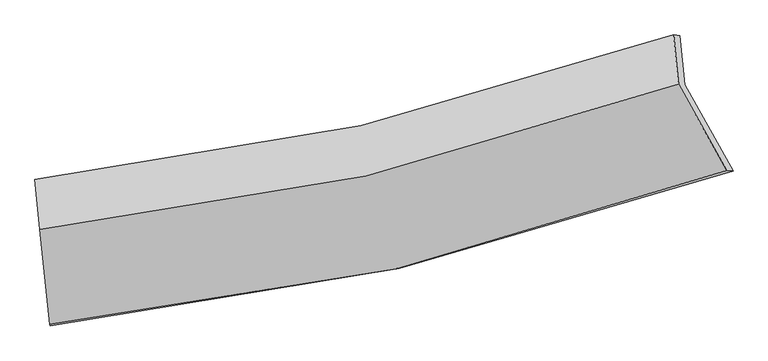
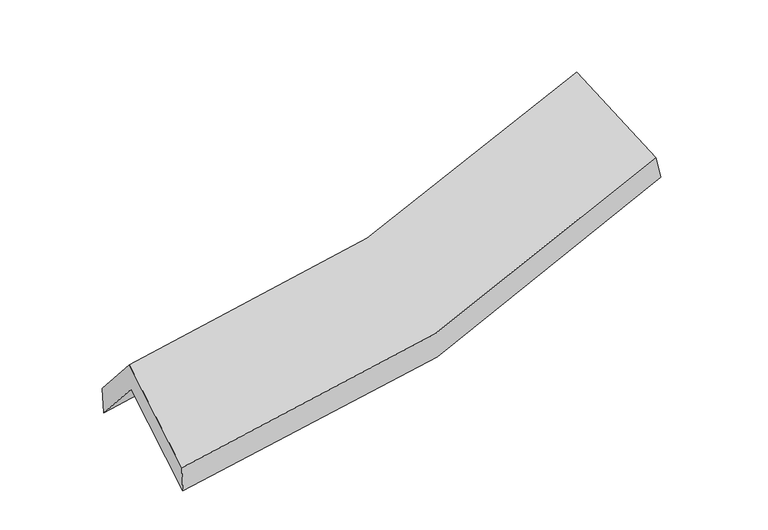
"""IFC4 building model written with IfcOpenShell, lengths in millimetres: proxy geometry."""

from ifc_helpers import new_model, si_unit, frame, origin, place, context, project, spatial, source, transform, mapped, element, save
from ifc_brep_helpers import plane_surface, spline_curve, spline_surface, advanced_brep


def generic_models_cd508e73(model_context):
    return source(origin(), model_context, "Body", "AdvancedBrep", [
        advanced_brep(
        [(-1704.7754344, -2437.1491099, 1539.7141115), (-1757.3710135, -1939.8983217, 1961.7194185), (1649.0126459, -1159.3399468, 2363.4648356), (1904.8344798, -1616.4291975, 1958.5917563), (-1782.9221815, -1677.2028129, 1648.9995899), (1623.8961086, -901.1129435, 2056.0644367), (-1785.140006, -1662.1103873, 1810.7627307), (1591.0379245, -896.2285444, 2195.6477558), (-1759.5888381, -1924.8058962, 2123.4825594), (1616.5040002, -1158.0492068, 2507.3261436), (-1706.2896392, -2428.7088688, 1695.8316964), (1871.7818754, -1614.1665401, 2103.3139535)],
        [
            (0, 1),
            (1, 2, spline_curve(3, [(-1757.3710135, -1939.8983217, 1961.7194185), (-1166.097712263, -1871.886762498, 1962.00474985), (-586.043026008, -1772.639405001, 1995.76177904), (549.327595886, -1512.201030199, 2129.947224024), (1104.734129546, -1351.262262692, 2230.105334136), (1649.0126459, -1159.3399468, 2363.4648356)], [4, 2, 4], [0.0, 5.976051301790608, 11.927923401488119])),
            (2, 3),
            (3, 0, spline_curve(3, [(1904.8344798, -1616.4291975, 1958.5917563), (1329.025195068, -1823.467020107, 1815.110965786), (740.954388525, -1995.312101211, 1708.46004959), (-462.149089937, -2269.171923728, 1568.534320891), (-1077.281588213, -2370.90014699, 1535.559355457), (-1704.7754344, -2437.1491099, 1539.7141115)], [4, 2, 4], [0.0, 5.951872099697511, 11.927923401488119])),
            (1, 4),
            (4, 5, spline_curve(3, [(-1782.9221815, -1677.2028129, 1648.9995899), (-1191.607661745, -1609.615026882, 1649.78939242), (-611.496041906, -1510.953013017, 1684.243230395), (524.019583846, -1252.005444956, 1820.203372164), (1079.514060811, -1091.970835611, 1921.437816225), (1623.8961086, -901.1129435, 2056.0644367)], [4, 2, 4], [0.0, 5.8007148623120885, 11.577959936655951])),
            (5, 2),
            (4, 6),
            (6, 7, spline_curve(3, [(-1785.140006, -1662.1103873, 1810.7627307), (-1199.782928292, -1599.4987908, 1815.140426335), (-625.207717025, -1504.173949263, 1849.528754967), (500.097855856, -1248.615820546, 1978.066119172), (1050.915287934, -1088.646714436, 2071.972798853), (1591.0379245, -896.2285444, 2195.6477558)], [4, 2, 4], [0.0, 5.77191928482439, 11.520485289061817])),
            (7, 5),
            (6, 8),
            (8, 9, spline_curve(3, [(-1759.5888381, -1924.8058962, 2123.4825594), (-1174.000987707, -1864.566909963, 2130.684674341), (-599.317743586, -1770.352768931, 2166.395211054), (525.958473923, -1514.492834072, 2294.573296782), (1076.639509252, -1353.121411711, 2386.810621443), (1616.5040002, -1158.0492068, 2507.3261436)], [4, 2, 4], [0.0, 5.743161298242266, 11.463085671185407])),
            (9, 7),
            (8, 10),
            (10, 11, spline_curve(3, [(-1706.2896392, -2428.7088688, 1695.8316964), (-1084.324765241, -2368.362208336, 1700.152030706), (-474.590015238, -2270.096042066, 1736.402481822), (718.00172307, -1998.275707409, 1872.487757677), (1300.957478026, -1825.027764005, 1972.064725687), (1871.7818754, -1614.1665401, 2103.3139535)], [4, 2, 4], [0.0, 5.916394268208539, 11.80885070766541])),
            (11, 9),
            (10, 0),
            (3, 11),
        ],
        [
            spline_surface(3, 3, [[(-1704.7754344, -2437.1491099, 1539.7141115), (-1077.281588292, -2370.900146949, 1535.55935551), (-462.149090033, -2269.171923802, 1568.53432089), (740.954388621, -1995.312101137, 1708.460049591), (1329.025195101, -1823.467020136, 1815.110965823), (1904.8344798, -1616.4291975, 1958.5917563)], [(-1722.3072941, -2271.398847192, 1680.382547172), (-1106.886962937, -2204.562352145, 1677.707820297), (-503.447068691, -2103.66108417, 1710.94347359), (677.078791095, -1834.27507747, 1848.955774442), (1254.261506614, -1666.06543434, 1953.442421898), (1819.560535174, -1464.06611392, 2093.549449388)], [(-1739.8391538, -2105.648584408, 1821.050982828), (-1136.492337583, -2038.224557266, 1819.856285069), (-544.745047428, -1938.150244617, 1853.352626255), (613.20319349, -1673.238053882, 1989.451499257), (1179.497818105, -1508.663848584, 2091.773878011), (1734.286590526, -1311.70303038, 2228.507142512)], [(-1757.3710135, -1939.8983217, 1961.7194185), (-1166.097712228, -1871.886762462, 1962.004749856), (-586.043026087, -1772.639404985, 1995.761778955), (549.327595965, -1512.201030215, 2129.947224108), (1104.734129617, -1351.262262788, 2230.105334087), (1649.0126459, -1159.3399468, 2363.4648356)]], [4, 4], [4, 2, 4], [0.0, 2.18831280352508], [0.0, 5.976051301790608, 11.927923401488119]),
            spline_surface(3, 3, [[(-1757.3710135, -1939.8983217, 1961.7194185), (-1166.097712228, -1871.886762462, 1962.004749856), (-586.043026087, -1772.639404985, 1995.761778955), (549.327595965, -1512.201030215, 2129.947224108), (1104.734129617, -1351.262262788, 2230.105334087), (1649.0126459, -1159.3399468, 2363.4648356)], [(-1765.888069493, -1852.333152078, 1857.479475618), (-1174.601028739, -1784.462850575, 1857.932963997), (-594.527364711, -1685.410607689, 1891.922262775), (540.891591946, -1425.46916847, 2026.699273428), (1096.327440013, -1264.831787072, 2127.216161477), (1640.640466812, -1073.26427904, 2260.998035964)], [(-1774.405125507, -1764.767982522, 1753.239532782), (-1183.104345272, -1697.038938755, 1753.861178185), (-603.01170334, -1598.181810341, 1788.082746632), (532.455587922, -1338.737306673, 1923.451322787), (1087.920750372, -1178.401311336, 2024.326988877), (1632.268287688, -987.18861126, 2158.531236336)], [(-1782.9221815, -1677.2028129, 1648.9995899), (-1191.607661783, -1609.615026868, 1649.789392326), (-611.496041964, -1510.953013045, 1684.243230452), (524.019583903, -1252.005444927, 1820.203372107), (1079.514060768, -1091.97083562, 1921.437816267), (1623.8961086, -901.1129435, 2056.0644367)]], [4, 4], [4, 2, 4], [0.0, 1.3336117282591524], [0.0, 5.8007148623120885, 11.577959936655951]),
            spline_surface(3, 3, [[(-1782.9221815, -1677.2028129, 1648.9995899), (-1191.607661783, -1609.615026868, 1649.789392326), (-611.496041964, -1510.953013045, 1684.243230452), (524.019583903, -1252.005444927, 1820.203372107), (1079.514060768, -1091.97083562, 1921.437816267), (1623.8961086, -901.1129435, 2056.0644367)], [(-1783.661456354, -1672.172004387, 1702.920636846), (-1194.33275063, -1606.242948186, 1704.906403679), (-616.066600306, -1508.69332512, 1739.338405314), (516.045674533, -1250.87557011, 1872.824287786), (1069.981136489, -1090.862795205, 1971.616143803), (1612.943380537, -899.484810461, 2102.592209744)], [(-1784.400731146, -1667.141195813, 1756.841683754), (-1197.057839416, -1602.870869445, 1760.023414994), (-620.637158633, -1506.433637226, 1794.433580155), (508.071765178, -1249.745695325, 1925.445203443), (1060.448212299, -1089.754754806, 2021.794471307), (1601.990652563, -897.856677439, 2149.119982756)], [(-1785.140006, -1662.1103873, 1810.7627307), (-1199.782928264, -1599.498790763, 1815.140426347), (-625.207716976, -1504.173949301, 1849.528755017), (500.097855807, -1248.615820508, 1978.066119122), (1050.91528802, -1088.646714391, 2071.972798843), (1591.0379245, -896.2285444, 2195.6477558)]], [4, 4], [4, 2, 4], [0.0, 0.5339838783985357], [0.0, 5.77191928482439, 11.520485289061817]),
            spline_surface(3, 3, [[(-1785.140006, -1662.1103873, 1810.7627307), (-1199.782928264, -1599.498790763, 1815.140426347), (-625.207716976, -1504.173949301, 1849.528755017), (500.097855807, -1248.615820508, 1978.066119122), (1050.91528802, -1088.646714391, 2071.972798843), (1591.0379245, -896.2285444, 2195.6477558)], [(-1776.622950007, -1749.675556922, 1915.002673582), (-1191.188948025, -1687.854830459, 1920.321842325), (-616.577725846, -1592.900222531, 1955.150906992), (508.718061841, -1337.241491656, 2083.568511663), (1059.490028471, -1176.804946843, 2176.918739735), (1599.526616413, -983.502098536, 2299.540551731)], [(-1768.105894093, -1837.240726578, 2019.242616518), (-1182.594967864, -1776.210870187, 2025.503258355), (-607.947734709, -1681.62649579, 2060.773059041), (517.338267882, -1425.867162835, 2189.070904278), (1068.064768881, -1264.963179288, 2281.864680635), (1608.015308287, -1070.775652664, 2403.433347669)], [(-1759.5888381, -1924.8058962, 2123.4825594), (-1174.000987624, -1864.566909883, 2130.684674333), (-599.317743579, -1770.35276902, 2166.395211016), (525.958473917, -1514.492833983, 2294.573296819), (1076.639509332, -1353.121411741, 2386.810621528), (1616.5040002, -1158.0492068, 2507.3261436)]], [4, 4], [4, 2, 4], [0.0, 1.359597205188516], [0.0, 5.743161298242266, 11.463085671185407]),
            spline_surface(3, 3, [[(-1759.5888381, -1924.8058962, 2123.4825594), (-1174.000987624, -1864.566909883, 2130.684674333), (-599.317743579, -1770.35276902, 2166.395211016), (525.958473917, -1514.492833983, 2294.573296819), (1076.639509332, -1353.121411741, 2386.810621528), (1616.5040002, -1158.0492068, 2507.3261436)], [(-1741.822438471, -2092.773553727, 1980.932271746), (-1144.108913521, -2032.498676039, 1987.173793152), (-557.741834164, -1936.933860063, 2023.064301306), (589.97289033, -1675.753791809, 2153.878117131), (1151.412165575, -1510.423529213, 2248.561989574), (1701.596625255, -1310.088317927, 2372.655413561)], [(-1724.056038829, -2260.741211273, 1838.381984054), (-1114.216839404, -2200.430442213, 1843.662911932), (-516.165924744, -2103.514951038, 1879.733391524), (653.987306748, -1837.014749568, 2013.182937373), (1226.184821854, -1667.725646604, 2110.31335764), (1786.689250345, -1462.127428973, 2237.984683539)], [(-1706.2896392, -2428.7088688, 1695.8316964), (-1084.324765301, -2368.362208368, 1700.152030751), (-474.590015329, -2270.096042081, 1736.402481813), (718.001723161, -1998.275707394, 1872.487757685), (1300.957478097, -1825.027764076, 1972.064725686), (1871.7818754, -1614.1665401, 2103.3139535)]], [4, 4], [4, 2, 4], [0.0, 2.197007794359812], [0.0, 5.916394268208539, 11.80885070766541]),
            spline_surface(3, 3, [[(-1706.2896392, -2428.7088688, 1695.8316964), (-1084.324765301, -2368.362208368, 1700.152030751), (-474.590015329, -2270.096042081, 1736.402481813), (718.001723161, -1998.275707394, 1872.487757685), (1300.957478097, -1825.027764076, 1972.064725686), (1871.7818754, -1614.1665401, 2103.3139535)], [(-1705.784904275, -2431.522282495, 1643.792501437), (-1081.97703964, -2369.20818789, 1645.287805674), (-470.443040249, -2269.788002662, 1680.446428167), (725.652611629, -1997.287838649, 1817.811854982), (1310.313383774, -1824.507516079, 1919.746805745), (1882.799410209, -1614.920759216, 2055.073221113)], [(-1705.280169325, -2434.335696205, 1591.753306463), (-1079.629313954, -2370.054167427, 1590.423580588), (-466.296065113, -2269.479963221, 1624.490374537), (733.303500153, -1996.299969882, 1763.135952295), (1319.669289424, -1823.987268134, 1867.428885764), (1893.816944991, -1615.674978384, 2006.832488687)], [(-1704.7754344, -2437.1491099, 1539.7141115), (-1077.281588292, -2370.900146949, 1535.55935551), (-462.149090033, -2269.171923802, 1568.53432089), (740.954388621, -1995.312101137, 1708.460049591), (1329.025195101, -1823.467020136, 1815.110965823), (1904.8344798, -1616.4291975, 1958.5917563)]], [4, 4], [4, 2, 4], [0.0, 0.5475904092224699], [0.0, 6.120652339461271, 12.216540418647021]),
            plane_surface(frame((1709.5111724, -1224.2210632, 2197.4014802), z_axis=(0.9202094096326234, 0.3334820657714719, 0.20494963828309218), x_axis=(0.3864141839785868, -0.6904249225032963, -0.6115533540145784))),
            plane_surface(frame((-1749.3478521, -2011.6458995, 1796.7516844), z_axis=(-0.9948063535282023, -0.1017009964149007, -0.004150458786426035), x_axis=(-0.009684532421365985, 0.05398199094447223, 0.9984949446469173))),
        ],
        [
            (0, [[1, 2, 3, 4]]),
            (1, [[5, 6, 7, -2]]),
            (2, [[8, 9, 10, -6]]),
            (3, [[11, 12, 13, -9]]),
            (4, [[14, 15, 16, -12]]),
            (5, [[17, -4, 18, -15]]),
            (6, [[-16, -18, -3, -7, -10, -13]]),
            (7, [[-17, -14, -11, -8, -5, -1]]),
        ],
    ),
    ])


if __name__ == "__main__":
    model = new_model("IFC4")
    model_context = context("Model", 3, world=origin())
    ifc_project = project(units=[si_unit("LENGTHUNIT", "METRE", prefix="MILLI")], contexts=[model_context])
    site = spatial("IfcSite", under=ifc_project)
    building = spatial("IfcBuilding", under=site)
    placement = place(None, origin())
    generic_models_shape = generic_models_cd508e73(model_context)
    element("IfcBuildingElementProxy", 1, Name="Generic Models", at=placement, inside=building, context=model_context, shape_type="MappedRepresentation", body=[
        mapped(generic_models_shape, transform((0.0, 0.0, 0.0), x_axis=(1.0, 0.0, 0.0), y_axis=(0.0, 1.0, 0.0), z_axis=(0.0, 0.0, 1.0))),
    ])
    save(model, "model.ifc")
